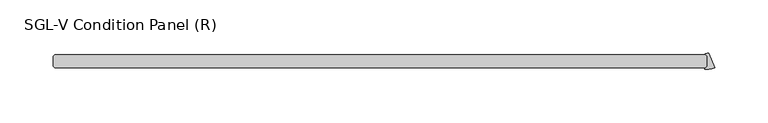
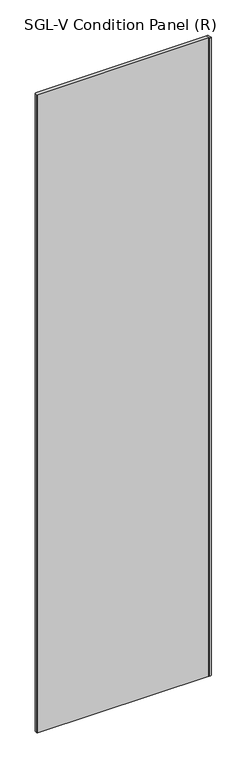
"""IFC4 building model written with IfcOpenShell, lengths in millimetres: plate geometry, SGL-V Condition Panel (R)."""

from ifc_helpers import new_model, si_unit, point, frame_2d, origin, origin_with_axes, place, context, project, spatial, polyline, circle_curve, trimmed, segment, composite_curve, outline, extrude, source, transform, mapped, element, save


def sgl_v_condition_panel_r_da6fe840(model_context):
    return source(origin(), model_context, "Body", "SweptSolid", [
        extrude(outline(composite_curve([segment(polyline([(299.8469084, 34.925), (298.1404415, 36.6314669)]), True, "CONTINUOUS"), segment(trimmed(circle_curve(frame_2d((298.4210745, 36.9121)), 0.396875), [point((298.1404415, 36.6314669))], [point((298.4129947, 37.3088927))], False, "CARTESIAN"), True, "CONTINUOUS"), segment(trimmed(circle_curve(frame_2d((298.2456736, 45.525915)), 8.2187257), [point((298.4129947, 37.3088927))], [point((301.3908437, 37.9328026))], True, "CARTESIAN"), True, "CONTINUOUS"), segment(polyline([(301.3908437, 37.9328026), (307.2378024, 23.8169955)]), True, "CONTINUOUS"), segment(trimmed(circle_curve(frame_2d((300.4755618, 40.1424885)), 17.6705863), [point((307.2378024, 23.8169955))], [point((297.9925665, 22.6472219))], False, "CARTESIAN"), True, "CONTINUOUS"), segment(trimmed(circle_curve(frame_2d((298.0483337, 23.0401593)), 0.396875), [point((297.9925665, 22.6472219))], [point((297.7677007, 23.3207923))], False, "CARTESIAN"), True, "CONTINUOUS"), segment(polyline([(297.7677007, 23.3207923), (299.8469084, 25.4), (299.8469084, 34.925)]), True, "CONTINUOUS")], self_intersect=False)), origin_with_axes(), (0.0, 0.0, 1.0), 2417.075),
        extrude(outline(polyline([(298.2594084, 23.8125), (-315.515625, 23.8125), (-317.103125, 25.4), (-317.103125, 34.925), (-315.515625, 36.5125), (298.2594084, 36.5125), (299.8469084, 34.925), (299.8469084, 25.4), (298.2594084, 23.8125)])), origin_with_axes(), (0.0, 0.0, 1.0), 2417.075),
    ])


if __name__ == "__main__":
    model = new_model("IFC4")
    model_context = context("Model", 3, world=origin())
    ifc_project = project(units=[si_unit("LENGTHUNIT", "METRE", prefix="MILLI")], contexts=[model_context])
    site = spatial("IfcSite", under=ifc_project)
    building = spatial("IfcBuilding", under=site)
    placement = place(None, origin())
    sgl_v_condition_panel_r_shape = sgl_v_condition_panel_r_da6fe840(model_context)
    element("IfcPlate", 1, ObjectType="SGL-V Condition Panel (R)", at=placement, inside=building, context=model_context, shape_type="MappedRepresentation", body=[
        mapped(sgl_v_condition_panel_r_shape, transform((0.0, 0.0, 0.0), x_axis=(1.0, 0.0, 0.0), y_axis=(0.0, 1.0, 0.0), z_axis=(0.0, 0.0, 1.0))),
    ])
    save(model, "model.ifc")
